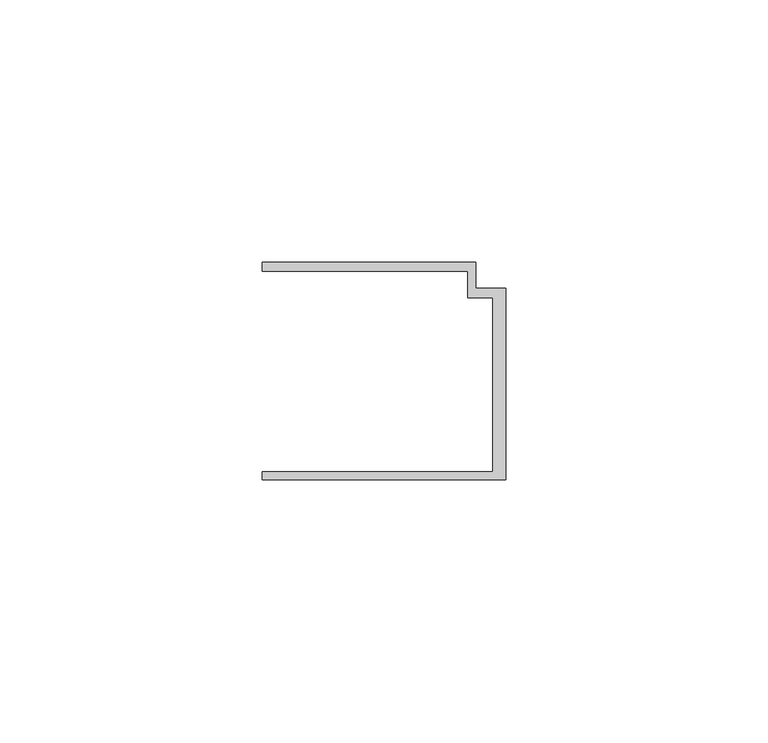
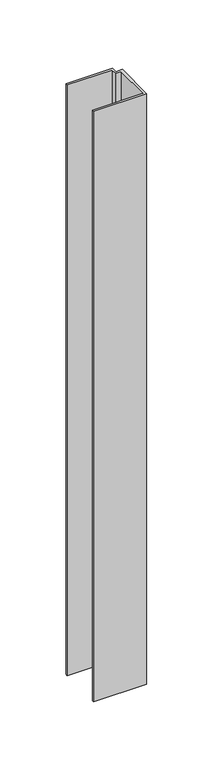
"""IFC4 building model written with IfcOpenShell, lengths in millimetres: member geometry."""

from ifc_helpers import new_model, si_unit, frame, origin, place, context, project, spatial, polyline, outline, extrude, source, transform, mapped, element, save


def member_5e79e341(model_context):
    return source(origin(), model_context, "Body", "SweptSolid", [
        extrude(outline(polyline([(-46.3, -19.2), (-2.4, -19.2), (-2.4, 14.0), (-7.2, 14.0), (-7.2, 19.0), (-46.3, 19.0), (-46.3, 20.7), (-5.6999992, 20.7), (-5.6999992, 15.8), (0.0, 15.8), (0.0, -20.7), (-46.3, -20.7), (-46.3, -19.2)])), frame((0.0, 0.0, -544.0208477), z_axis=(0.0, 0.0, 1.0), x_axis=(1.0, 0.0, 0.0)), (0.0, 0.0, 1.0), 544.0208477),
    ])


if __name__ == "__main__":
    model = new_model("IFC4")
    model_context = context("Model", 3, world=origin())
    ifc_project = project(units=[si_unit("LENGTHUNIT", "METRE", prefix="MILLI")], contexts=[model_context])
    site = spatial("IfcSite", under=ifc_project)
    building = spatial("IfcBuilding", under=site)
    placement = place(None, origin())
    member_shape = member_5e79e341(model_context)
    element("IfcMember", 1, at=placement, inside=building, context=model_context, shape_type="MappedRepresentation", body=[
        mapped(member_shape, transform((0.0, 0.0, 0.0), x_axis=(1.0, 0.0, 0.0), y_axis=(0.0, 1.0, 0.0), z_axis=(0.0, 0.0, 1.0))),
    ])
    save(model, "model.ifc")
